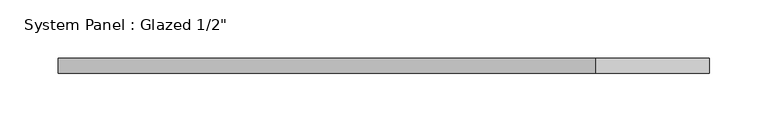
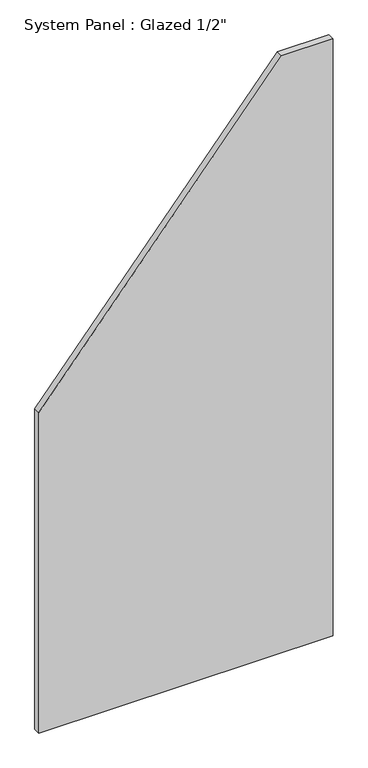
"""IFC4 building model written with IfcOpenShell, lengths in millimetres: plate geometry."""

import ifcopenshell
import ifcopenshell.guid

model = None  # the IFC model being written
_history = None  # IfcOwnerHistory: only IFC2X3 demands one
_inside = {}  # id of a spatial element -> (the spatial element, [elements in it])
_under = {}  # id of a project, library or spatial element -> (it, [spatial elements below it])
_declared = {}  # id of a project -> (the project, [libraries it declares])
_typed = {}  # id of a type object -> (the type object, [elements of that type])
_made_of = {}  # id of a material, layer set ... -> (it, [elements and type objects made of it])


def new_model(schema):
    """Start an empty IFC model of exactly this schema.

    Asked for "IFC4X3", IfcOpenShell would pick the latest addendum, in which some entities
    have other attributes; the version numbers below select the first issue.
    IFC2X3 requires an IfcOwnerHistory on every rooted entity: one is made here for all.
    """
    global model, _history
    if schema == "IFC4X3":
        model = ifcopenshell.file(schema_version=(4, 3, 0, 0))
    else:
        model = ifcopenshell.file(schema=schema)
    _inside.clear()
    _under.clear()
    _declared.clear()
    _typed.clear()
    _made_of.clear()
    _history = None
    if model.schema == "IFC2X3":
        org = make("IfcOrganization", Name="unknown")
        user = make(
            "IfcPersonAndOrganization",
            ThePerson=make("IfcPerson", FamilyName="unknown"),
            TheOrganization=org,
        )
        app = make(
            "IfcApplication",
            ApplicationDeveloper=org,
            Version="unknown",
            ApplicationFullName="unknown",
            ApplicationIdentifier="unknown",
        )
        _history = make(
            "IfcOwnerHistory",
            OwningUser=user,
            OwningApplication=app,
            ChangeAction="ADDED",
            CreationDate=0,
        )
    return model


def make(cls, **values):
    """One entity of the class cls with the attributes given. An attribute that is None is left unset."""
    return model.create_entity(
        cls, **{name: value for name, value in values.items() if value is not None}
    )


def rooted(cls, **values):
    """An entity with a GlobalId (a new one), such as an element, a storey or a relation."""
    return make(cls, GlobalId=ifcopenshell.guid.new(), OwnerHistory=_history, **values)


def si_unit(unit_type, name, prefix=None):
    """IfcSIUnit, for example si_unit("LENGTHUNIT", "METRE", prefix="MILLI")."""
    return make("IfcSIUnit", UnitType=unit_type, Prefix=prefix, Name=name)


def assignment(units):
    """IfcUnitAssignment: the units of a project."""
    return None if units is None else make("IfcUnitAssignment", Units=units)


def point(xyz):
    """IfcCartesianPoint."""
    return None if xyz is None else make("IfcCartesianPoint", Coordinates=xyz)


def direction(xyz):
    """IfcDirection."""
    return None if xyz is None else make("IfcDirection", DirectionRatios=xyz)


def frame(location, z_axis=None, x_axis=None):
    """IfcAxis2Placement3D, a coordinate frame: its origin and axes. An axis left out is left unset."""
    return make(
        "IfcAxis2Placement3D",
        Location=point(location),
        Axis=direction(z_axis),
        RefDirection=direction(x_axis),
    )


def origin():
    """The frame at (0, 0, 0) with its axes left unset."""
    return frame((0.0, 0.0, 0.0))


def place(relative_to, where):
    """IfcLocalPlacement: puts the frame where relative to a parent placement (None: the world)."""
    return make(
        "IfcLocalPlacement", PlacementRelTo=relative_to, RelativePlacement=where
    )


def context(
    kind, dimensions, precision=None, world=None, true_north=None, identifier=None
):
    """IfcGeometricRepresentationContext, for example the 3D "Model" context."""
    return make(
        "IfcGeometricRepresentationContext",
        ContextIdentifier=identifier,
        ContextType=kind,
        CoordinateSpaceDimension=dimensions,
        Precision=precision,
        WorldCoordinateSystem=world,
        TrueNorth=true_north,
    )


def project(units=None, contexts=None):
    """IfcProject with its units and contexts."""
    return rooted(
        "IfcProject",
        Name="project",
        RepresentationContexts=contexts,
        UnitsInContext=assignment(units),
    )


def spatial(cls, under=None, at=None, **own):
    """A site, building, storey or space (cls), placed at a placement, below another one or the project."""
    s = rooted(cls, ObjectPlacement=at, **own)
    if under is not None:
        _under.setdefault(under.id(), (under, []))[1].append(s)
    return s


def polyline(points):
    """IfcPolyline through the points."""
    return make("IfcPolyline", Points=[point(p) for p in points])


def outline(outer, holes=None, kind="AREA"):
    """IfcArbitraryClosedProfileDef: a profile drawn as a closed curve; with holes, ...WithVoids."""
    if holes is None:
        return make("IfcArbitraryClosedProfileDef", ProfileType=kind, OuterCurve=outer)
    return make(
        "IfcArbitraryProfileDefWithVoids",
        ProfileType=kind,
        OuterCurve=outer,
        InnerCurves=holes,
    )


def extrude(swept, where, along, depth):
    """IfcExtrudedAreaSolid: the profile swept, set in the frame where, extruded along a direction by depth."""
    return make(
        "IfcExtrudedAreaSolid",
        SweptArea=swept,
        Position=where,
        ExtrudedDirection=direction(along),
        Depth=depth,
    )


def shape(context_of_items, identifier, shape_type, items):
    """IfcShapeRepresentation: the items that make up one representation, for example the "Body"."""
    return make(
        "IfcShapeRepresentation",
        ContextOfItems=context_of_items,
        RepresentationIdentifier=identifier,
        RepresentationType=shape_type,
        Items=items,
    )


def source(mapping_origin, context_of_items, identifier, shape_type, items):
    """IfcRepresentationMap: a shape defined once, which mapped items show again and again."""
    return make(
        "IfcRepresentationMap",
        MappingOrigin=mapping_origin,
        MappedRepresentation=shape(context_of_items, identifier, shape_type, items),
    )


def transform(
    local_origin,
    x_axis=None,
    y_axis=None,
    z_axis=None,
    scale=None,
    scale2=None,
    scale3=None,
    uniform=True,
):
    """IfcCartesianTransformationOperator3D, or its non-uniform kind. x_axis, y_axis, z_axis: its Axis1, 2, 3."""
    if uniform:
        return make(
            "IfcCartesianTransformationOperator3D",
            Axis1=direction(x_axis),
            Axis2=direction(y_axis),
            LocalOrigin=point(local_origin),
            Scale=scale,
            Axis3=direction(z_axis),
        )
    return make(
        "IfcCartesianTransformationOperator3DnonUniform",
        Axis1=direction(x_axis),
        Axis2=direction(y_axis),
        LocalOrigin=point(local_origin),
        Scale=scale,
        Axis3=direction(z_axis),
        Scale2=scale2,
        Scale3=scale3,
    )


def mapped(mapping_source, mapping_target):
    """IfcMappedItem: shows the shape of a source again, moved by a transform."""
    return make(
        "IfcMappedItem", MappingSource=mapping_source, MappingTarget=mapping_target
    )


def made_of(thing, what):
    """Note that an element or type object is made of a material, layer set ...; save() writes the relation."""
    if what is not None:
        _made_of.setdefault(what.id(), (what, []))[1].append(thing)
    return thing


def element(
    cls,
    number,
    at=None,
    inside=None,
    cuts=None,
    type_object=None,
    material=None,
    context=None,
    identifier="Body",
    shape_type=None,
    held_by="IfcProductDefinitionShape",
    body=None,
    shapes=None,
    **own,
):
    """One element of the class cls, such as IfcWall. Its Tag is "e" and its number.

    at: its placement. inside: the storey or other place that contains it. cuts: it is an
    opening in that element (IfcRelVoidsElement). A single representation is given by context,
    identifier, shape_type and body (its items); several are given by shapes. held_by: the class
    of the entity that holds the representations. save() writes the other relations.
    """
    e = rooted(cls, Tag="e%d" % number, ObjectPlacement=at, **own)
    if body is not None:
        shapes = [shape(context, identifier, shape_type, body)]
    if shapes is not None:
        e.Representation = make(held_by, Representations=shapes)
    if inside is not None:
        _inside.setdefault(inside.id(), (inside, []))[1].append(e)
    if cuts is not None:
        rooted(
            "IfcRelVoidsElement", RelatingBuildingElement=cuts, RelatedOpeningElement=e
        )
    if type_object is not None:
        _typed.setdefault(type_object.id(), (type_object, []))[1].append(e)
    return made_of(e, material)


def aggregate(whole, parts):
    """IfcRelAggregates: a whole, such as a stair, and the parts it consists of."""
    return rooted("IfcRelAggregates", RelatingObject=whole, RelatedObjects=parts)


def save(model, path):
    """Write the relations noted so far, then the file.

    IfcRelAggregates (storeys below a building ...), IfcRelContainedInSpatialStructure (elements
    in a storey), IfcRelDefinesByType, IfcRelAssociatesMaterial and IfcRelDeclares: one each for
    every whole, place, type object, material and project.
    """
    for whole, parts in _under.values():
        aggregate(whole, parts)
    for where, things in _inside.values():
        rooted(
            "IfcRelContainedInSpatialStructure",
            RelatedElements=things,
            RelatingStructure=where,
        )
    for kind, things in _typed.values():
        rooted("IfcRelDefinesByType", RelatedObjects=things, RelatingType=kind)
    for what, things in _made_of.values():
        rooted("IfcRelAssociatesMaterial", RelatedObjects=things, RelatingMaterial=what)
    for by, libraries in _declared.values():
        rooted("IfcRelDeclares", RelatingContext=by, RelatedDefinitions=libraries)
    model.write(path)


def plate_8bdf5242(model_context):
    return source(origin(), model_context, "Body", "SweptSolid", [
        extrude(outline(polyline([(0.0, -279.0247799), (0.0, 279.0247799), (1195.797534, 279.0247799), (1195.797534, 181.6496018), (642.1358324, -279.0247799), (0.0, -279.0247799)])), frame((0.0, -6.35, 0.0), z_axis=(0.0, 1.0, 0.0), x_axis=(0.0, 0.0, 1.0)), (0.0, 0.0, 1.0), 12.7),
    ])


if __name__ == "__main__":
    model = new_model("IFC4")
    model_context = context("Model", 3, world=origin())
    ifc_project = project(units=[si_unit("LENGTHUNIT", "METRE", prefix="MILLI")], contexts=[model_context])
    site = spatial("IfcSite", under=ifc_project)
    building = spatial("IfcBuilding", under=site)
    placement = place(None, origin())
    plate_shape = plate_8bdf5242(model_context)
    element("IfcPlate", 1, ObjectType="System Panel : Glazed 1/2\"", at=placement, inside=building, context=model_context, shape_type="MappedRepresentation", body=[
        mapped(plate_shape, transform((0.0, 0.0, 0.0), x_axis=(1.0, 0.0, 0.0), y_axis=(0.0, 1.0, 0.0), z_axis=(0.0, 0.0, 1.0))),
    ])
    save(model, "model.ifc")
